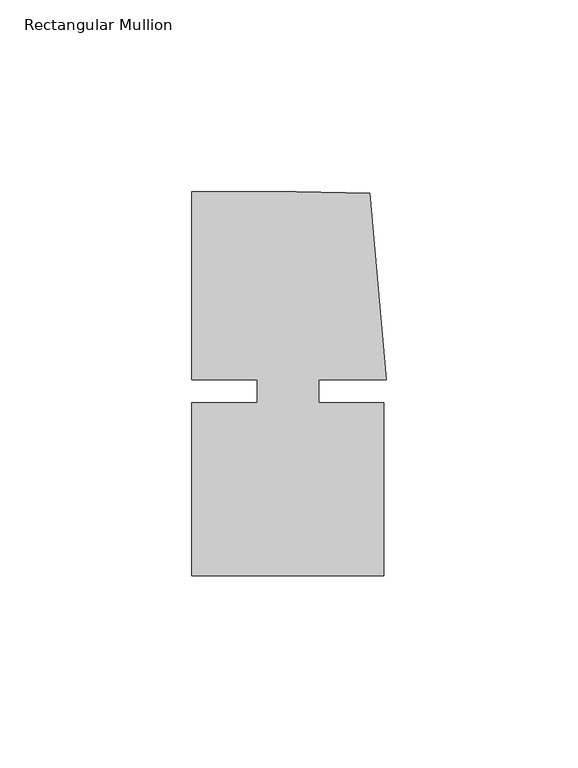
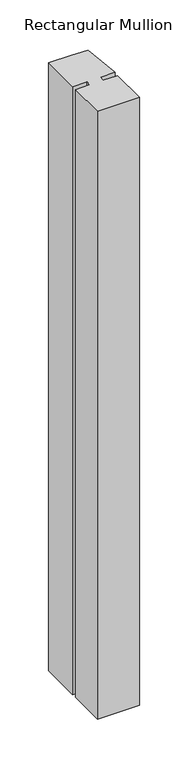
"""IFC4 building model written with IfcOpenShell, lengths in millimetres: member geometry, Rectangular Mullion."""

from ifc_helpers import new_model, si_unit, frame, origin, place, context, project, spatial, polyline, outline, extrude, source, transform, mapped, element, save


def rectangular_mullion_cb5e1f7a(model_context):
    return source(origin(), model_context, "Body", "SweptSolid", [
        extrude(outline(polyline([(8.0004917, -3.0000287), (25.00003, -3.0000271), (25.0000344, -48.0000271), (-24.9999656, -48.000032), (-24.99997, -3.000032), (-8.0004317, -3.0000303), (-8.0004323, 2.999987), (-24.9999706, 2.9999853), (-24.9999754, 51.999968), (2.2554581, 51.9999707), (21.3623265, 51.5846059), (25.6129344, 2.9999903), (8.0004911, 2.9999885), (8.0004917, -3.0000287)])), frame((0.0, 0.0, -761.0001392), z_axis=(0.0, 0.0, 1.0), x_axis=(1.0, 0.0, 0.0)), (0.0, 0.0, 1.0), 761.0001392),
    ])


if __name__ == "__main__":
    model = new_model("IFC4")
    model_context = context("Model", 3, world=origin())
    ifc_project = project(units=[si_unit("LENGTHUNIT", "METRE", prefix="MILLI")], contexts=[model_context])
    site = spatial("IfcSite", under=ifc_project)
    building = spatial("IfcBuilding", under=site)
    placement = place(None, origin())
    rectangular_mullion_shape = rectangular_mullion_cb5e1f7a(model_context)
    element("IfcMember", 1, ObjectType="Rectangular Mullion", at=placement, inside=building, context=model_context, shape_type="MappedRepresentation", body=[
        mapped(rectangular_mullion_shape, transform((0.0, 0.0, 0.0), x_axis=(1.0, 0.0, 0.0), y_axis=(0.0, 1.0, 0.0), z_axis=(0.0, 0.0, 1.0))),
    ])
    save(model, "model.ifc")
